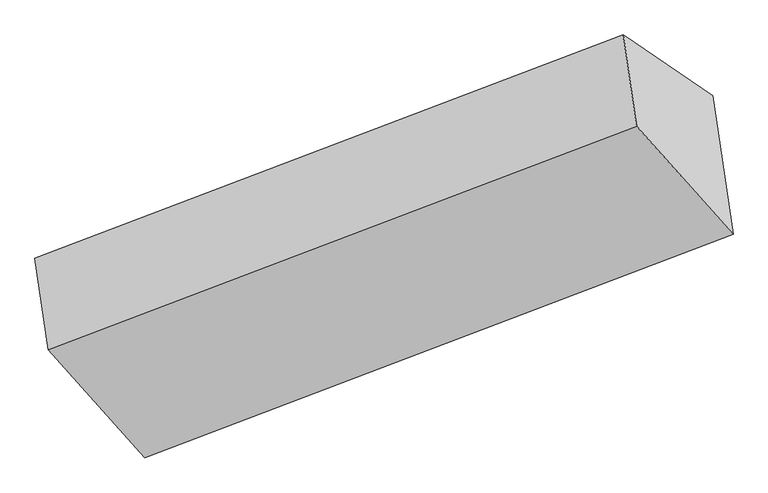
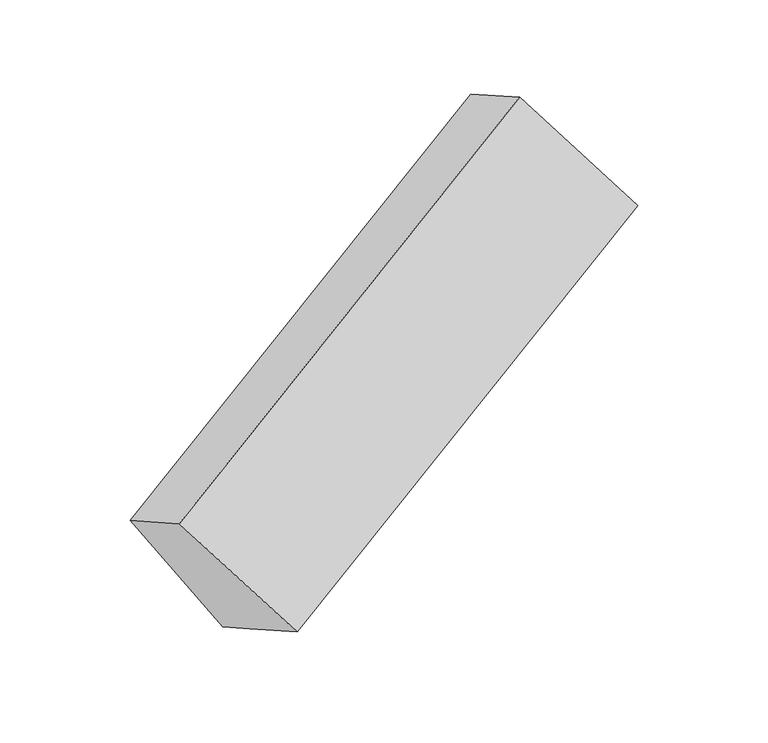
"""IFC4 building model written with IfcOpenShell, lengths in millimetres: proxy geometry."""

import ifcopenshell
import ifcopenshell.guid

model = None  # the IFC model being written
_history = None  # IfcOwnerHistory: only IFC2X3 demands one
_inside = {}  # id of a spatial element -> (the spatial element, [elements in it])
_under = {}  # id of a project, library or spatial element -> (it, [spatial elements below it])
_declared = {}  # id of a project -> (the project, [libraries it declares])
_typed = {}  # id of a type object -> (the type object, [elements of that type])
_made_of = {}  # id of a material, layer set ... -> (it, [elements and type objects made of it])


def new_model(schema):
    """Start an empty IFC model of exactly this schema.

    Asked for "IFC4X3", IfcOpenShell would pick the latest addendum, in which some entities
    have other attributes; the version numbers below select the first issue.
    IFC2X3 requires an IfcOwnerHistory on every rooted entity: one is made here for all.
    """
    global model, _history
    if schema == "IFC4X3":
        model = ifcopenshell.file(schema_version=(4, 3, 0, 0))
    else:
        model = ifcopenshell.file(schema=schema)
    _inside.clear()
    _under.clear()
    _declared.clear()
    _typed.clear()
    _made_of.clear()
    _history = None
    if model.schema == "IFC2X3":
        org = make("IfcOrganization", Name="unknown")
        user = make(
            "IfcPersonAndOrganization",
            ThePerson=make("IfcPerson", FamilyName="unknown"),
            TheOrganization=org,
        )
        app = make(
            "IfcApplication",
            ApplicationDeveloper=org,
            Version="unknown",
            ApplicationFullName="unknown",
            ApplicationIdentifier="unknown",
        )
        _history = make(
            "IfcOwnerHistory",
            OwningUser=user,
            OwningApplication=app,
            ChangeAction="ADDED",
            CreationDate=0,
        )
    return model


def make(cls, **values):
    """One entity of the class cls with the attributes given. An attribute that is None is left unset."""
    return model.create_entity(
        cls, **{name: value for name, value in values.items() if value is not None}
    )


def rooted(cls, **values):
    """An entity with a GlobalId (a new one), such as an element, a storey or a relation."""
    return make(cls, GlobalId=ifcopenshell.guid.new(), OwnerHistory=_history, **values)


def si_unit(unit_type, name, prefix=None):
    """IfcSIUnit, for example si_unit("LENGTHUNIT", "METRE", prefix="MILLI")."""
    return make("IfcSIUnit", UnitType=unit_type, Prefix=prefix, Name=name)


def assignment(units):
    """IfcUnitAssignment: the units of a project."""
    return None if units is None else make("IfcUnitAssignment", Units=units)


def point(xyz):
    """IfcCartesianPoint."""
    return None if xyz is None else make("IfcCartesianPoint", Coordinates=xyz)


def direction(xyz):
    """IfcDirection."""
    return None if xyz is None else make("IfcDirection", DirectionRatios=xyz)


def frame(location, z_axis=None, x_axis=None):
    """IfcAxis2Placement3D, a coordinate frame: its origin and axes. An axis left out is left unset."""
    return make(
        "IfcAxis2Placement3D",
        Location=point(location),
        Axis=direction(z_axis),
        RefDirection=direction(x_axis),
    )


def origin():
    """The frame at (0, 0, 0) with its axes left unset."""
    return frame((0.0, 0.0, 0.0))


def place(relative_to, where):
    """IfcLocalPlacement: puts the frame where relative to a parent placement (None: the world)."""
    return make(
        "IfcLocalPlacement", PlacementRelTo=relative_to, RelativePlacement=where
    )


def context(
    kind, dimensions, precision=None, world=None, true_north=None, identifier=None
):
    """IfcGeometricRepresentationContext, for example the 3D "Model" context."""
    return make(
        "IfcGeometricRepresentationContext",
        ContextIdentifier=identifier,
        ContextType=kind,
        CoordinateSpaceDimension=dimensions,
        Precision=precision,
        WorldCoordinateSystem=world,
        TrueNorth=true_north,
    )


def project(units=None, contexts=None):
    """IfcProject with its units and contexts."""
    return rooted(
        "IfcProject",
        Name="project",
        RepresentationContexts=contexts,
        UnitsInContext=assignment(units),
    )


def spatial(cls, under=None, at=None, **own):
    """A site, building, storey or space (cls), placed at a placement, below another one or the project."""
    s = rooted(cls, ObjectPlacement=at, **own)
    if under is not None:
        _under.setdefault(under.id(), (under, []))[1].append(s)
    return s


def faces_of(points, faces, orient=None, outer=None):
    """IfcFace entities. A face is a list of loops; a loop is a list of indices into points, from 0.

    orient and outer hold one flag for each loop. By default every Orientation is true, the
    first loop of a face is its IfcFaceOuterBound and the others are IfcFaceBound.
    """
    made = []
    for i, loops in enumerate(faces):
        bounds = []
        for j, loop in enumerate(loops):
            is_outer = j == 0 if outer is None else outer[i][j]
            bounds.append(
                make(
                    "IfcFaceOuterBound" if is_outer else "IfcFaceBound",
                    Bound=make("IfcPolyLoop", Polygon=[points[k] for k in loop]),
                    Orientation=True if orient is None else orient[i][j],
                )
            )
        made.append(make("IfcFace", Bounds=bounds))
    return made


def faceted_brep(points, faces, orient=None, outer=None, voids=None):
    """IfcFacetedBrep: a solid bounded by flat faces; with voids (closed shells), ...WithVoids."""
    shared = [point(p) for p in points]
    hull = make("IfcClosedShell", CfsFaces=faces_of(shared, faces, orient, outer))
    if voids is None:
        return make("IfcFacetedBrep", Outer=hull)
    return make(
        "IfcFacetedBrepWithVoids",
        Outer=hull,
        Voids=[
            make(cls, CfsFaces=faces_of(shared, fs, o, b)) for cls, fs, o, b in voids
        ],
    )


def shape(context_of_items, identifier, shape_type, items):
    """IfcShapeRepresentation: the items that make up one representation, for example the "Body"."""
    return make(
        "IfcShapeRepresentation",
        ContextOfItems=context_of_items,
        RepresentationIdentifier=identifier,
        RepresentationType=shape_type,
        Items=items,
    )


def source(mapping_origin, context_of_items, identifier, shape_type, items):
    """IfcRepresentationMap: a shape defined once, which mapped items show again and again."""
    return make(
        "IfcRepresentationMap",
        MappingOrigin=mapping_origin,
        MappedRepresentation=shape(context_of_items, identifier, shape_type, items),
    )


def transform(
    local_origin,
    x_axis=None,
    y_axis=None,
    z_axis=None,
    scale=None,
    scale2=None,
    scale3=None,
    uniform=True,
):
    """IfcCartesianTransformationOperator3D, or its non-uniform kind. x_axis, y_axis, z_axis: its Axis1, 2, 3."""
    if uniform:
        return make(
            "IfcCartesianTransformationOperator3D",
            Axis1=direction(x_axis),
            Axis2=direction(y_axis),
            LocalOrigin=point(local_origin),
            Scale=scale,
            Axis3=direction(z_axis),
        )
    return make(
        "IfcCartesianTransformationOperator3DnonUniform",
        Axis1=direction(x_axis),
        Axis2=direction(y_axis),
        LocalOrigin=point(local_origin),
        Scale=scale,
        Axis3=direction(z_axis),
        Scale2=scale2,
        Scale3=scale3,
    )


def mapped(mapping_source, mapping_target):
    """IfcMappedItem: shows the shape of a source again, moved by a transform."""
    return make(
        "IfcMappedItem", MappingSource=mapping_source, MappingTarget=mapping_target
    )


def made_of(thing, what):
    """Note that an element or type object is made of a material, layer set ...; save() writes the relation."""
    if what is not None:
        _made_of.setdefault(what.id(), (what, []))[1].append(thing)
    return thing


def element(
    cls,
    number,
    at=None,
    inside=None,
    cuts=None,
    type_object=None,
    material=None,
    context=None,
    identifier="Body",
    shape_type=None,
    held_by="IfcProductDefinitionShape",
    body=None,
    shapes=None,
    **own,
):
    """One element of the class cls, such as IfcWall. Its Tag is "e" and its number.

    at: its placement. inside: the storey or other place that contains it. cuts: it is an
    opening in that element (IfcRelVoidsElement). A single representation is given by context,
    identifier, shape_type and body (its items); several are given by shapes. held_by: the class
    of the entity that holds the representations. save() writes the other relations.
    """
    e = rooted(cls, Tag="e%d" % number, ObjectPlacement=at, **own)
    if body is not None:
        shapes = [shape(context, identifier, shape_type, body)]
    if shapes is not None:
        e.Representation = make(held_by, Representations=shapes)
    if inside is not None:
        _inside.setdefault(inside.id(), (inside, []))[1].append(e)
    if cuts is not None:
        rooted(
            "IfcRelVoidsElement", RelatingBuildingElement=cuts, RelatedOpeningElement=e
        )
    if type_object is not None:
        _typed.setdefault(type_object.id(), (type_object, []))[1].append(e)
    return made_of(e, material)


def aggregate(whole, parts):
    """IfcRelAggregates: a whole, such as a stair, and the parts it consists of."""
    return rooted("IfcRelAggregates", RelatingObject=whole, RelatedObjects=parts)


def save(model, path):
    """Write the relations noted so far, then the file.

    IfcRelAggregates (storeys below a building ...), IfcRelContainedInSpatialStructure (elements
    in a storey), IfcRelDefinesByType, IfcRelAssociatesMaterial and IfcRelDeclares: one each for
    every whole, place, type object, material and project.
    """
    for whole, parts in _under.values():
        aggregate(whole, parts)
    for where, things in _inside.values():
        rooted(
            "IfcRelContainedInSpatialStructure",
            RelatedElements=things,
            RelatingStructure=where,
        )
    for kind, things in _typed.values():
        rooted("IfcRelDefinesByType", RelatedObjects=things, RelatingType=kind)
    for what, things in _made_of.values():
        rooted("IfcRelAssociatesMaterial", RelatedObjects=things, RelatingMaterial=what)
    for by, libraries in _declared.values():
        rooted("IfcRelDeclares", RelatingContext=by, RelatedDefinitions=libraries)
    model.write(path)


def generic_models_dd93b7e3(model_context):
    return source(origin(), model_context, "Body", "Brep", [
        faceted_brep([(-4167.2708695, -1666.1588382, 1545.937352), (-4115.8572067, -2019.8668805, 1724.3999819), (-1833.1262147, -1153.3218414, 2761.8461434), (-1884.5398775, -799.6137991, 2583.3835136), (-3819.8407468, -1902.5444908, 977.3356133), (-1537.1097548, -1035.9994517, 2014.7817749), (-3791.5279657, -2097.3265359, 1075.612474), (-1508.7969737, -1230.7814967, 2113.0586356), (-3741.684105, -2440.2348878, 1248.6261433), (-1458.953113, -1573.6898487, 2286.0723049)], [[[0, 1, 2, 3]], [[4, 0, 5]], [[6, 4, 5, 7]], [[8, 6, 7, 9]], [[1, 8, 9, 2]], [[7, 5, 3, 2, 9]], [[1, 0, 4, 6, 8]], [[3, 5, 0]]]),
    ])


if __name__ == "__main__":
    model = new_model("IFC4")
    model_context = context("Model", 3, world=origin())
    ifc_project = project(units=[si_unit("LENGTHUNIT", "METRE", prefix="MILLI")], contexts=[model_context])
    site = spatial("IfcSite", under=ifc_project)
    building = spatial("IfcBuilding", under=site)
    placement = place(None, origin())
    generic_models_shape = generic_models_dd93b7e3(model_context)
    element("IfcBuildingElementProxy", 1, Name="Generic Models", at=placement, inside=building, context=model_context, shape_type="MappedRepresentation", body=[
        mapped(generic_models_shape, transform((0.0, 0.0, 0.0), x_axis=(1.0, 0.0, 0.0), y_axis=(0.0, 1.0, 0.0), z_axis=(0.0, 0.0, 1.0))),
    ])
    save(model, "model.ifc")
